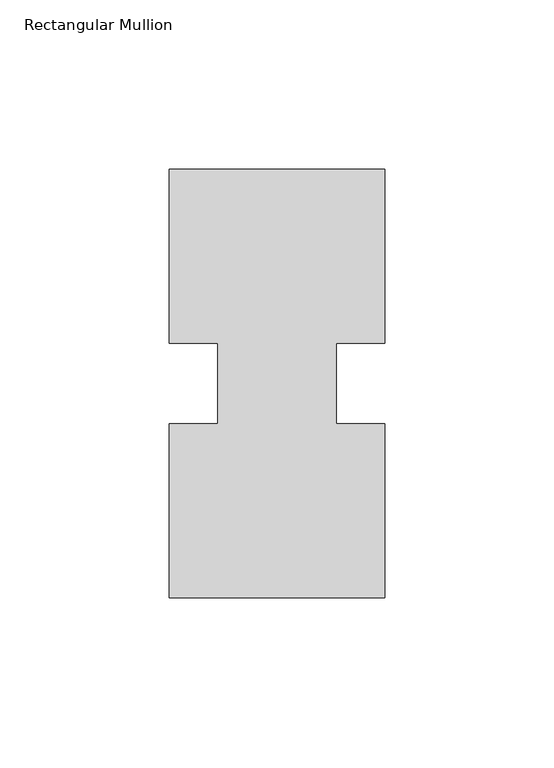
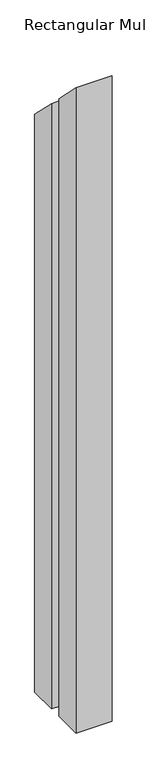
"""IFC4 building model written with IfcOpenShell, lengths in millimetres: member geometry, Rectangular Mullion."""

import ifcopenshell
import ifcopenshell.guid

model = None  # the IFC model being written
_history = None  # IfcOwnerHistory: only IFC2X3 demands one
_inside = {}  # id of a spatial element -> (the spatial element, [elements in it])
_under = {}  # id of a project, library or spatial element -> (it, [spatial elements below it])
_declared = {}  # id of a project -> (the project, [libraries it declares])
_typed = {}  # id of a type object -> (the type object, [elements of that type])
_made_of = {}  # id of a material, layer set ... -> (it, [elements and type objects made of it])


def new_model(schema):
    """Start an empty IFC model of exactly this schema.

    Asked for "IFC4X3", IfcOpenShell would pick the latest addendum, in which some entities
    have other attributes; the version numbers below select the first issue.
    IFC2X3 requires an IfcOwnerHistory on every rooted entity: one is made here for all.
    """
    global model, _history
    if schema == "IFC4X3":
        model = ifcopenshell.file(schema_version=(4, 3, 0, 0))
    else:
        model = ifcopenshell.file(schema=schema)
    _inside.clear()
    _under.clear()
    _declared.clear()
    _typed.clear()
    _made_of.clear()
    _history = None
    if model.schema == "IFC2X3":
        org = make("IfcOrganization", Name="unknown")
        user = make(
            "IfcPersonAndOrganization",
            ThePerson=make("IfcPerson", FamilyName="unknown"),
            TheOrganization=org,
        )
        app = make(
            "IfcApplication",
            ApplicationDeveloper=org,
            Version="unknown",
            ApplicationFullName="unknown",
            ApplicationIdentifier="unknown",
        )
        _history = make(
            "IfcOwnerHistory",
            OwningUser=user,
            OwningApplication=app,
            ChangeAction="ADDED",
            CreationDate=0,
        )
    return model


def make(cls, **values):
    """One entity of the class cls with the attributes given. An attribute that is None is left unset."""
    return model.create_entity(
        cls, **{name: value for name, value in values.items() if value is not None}
    )


def rooted(cls, **values):
    """An entity with a GlobalId (a new one), such as an element, a storey or a relation."""
    return make(cls, GlobalId=ifcopenshell.guid.new(), OwnerHistory=_history, **values)


def si_unit(unit_type, name, prefix=None):
    """IfcSIUnit, for example si_unit("LENGTHUNIT", "METRE", prefix="MILLI")."""
    return make("IfcSIUnit", UnitType=unit_type, Prefix=prefix, Name=name)


def assignment(units):
    """IfcUnitAssignment: the units of a project."""
    return None if units is None else make("IfcUnitAssignment", Units=units)


def point(xyz):
    """IfcCartesianPoint."""
    return None if xyz is None else make("IfcCartesianPoint", Coordinates=xyz)


def direction(xyz):
    """IfcDirection."""
    return None if xyz is None else make("IfcDirection", DirectionRatios=xyz)


def frame(location, z_axis=None, x_axis=None):
    """IfcAxis2Placement3D, a coordinate frame: its origin and axes. An axis left out is left unset."""
    return make(
        "IfcAxis2Placement3D",
        Location=point(location),
        Axis=direction(z_axis),
        RefDirection=direction(x_axis),
    )


def origin():
    """The frame at (0, 0, 0) with its axes left unset."""
    return frame((0.0, 0.0, 0.0))


def place(relative_to, where):
    """IfcLocalPlacement: puts the frame where relative to a parent placement (None: the world)."""
    return make(
        "IfcLocalPlacement", PlacementRelTo=relative_to, RelativePlacement=where
    )


def context(
    kind, dimensions, precision=None, world=None, true_north=None, identifier=None
):
    """IfcGeometricRepresentationContext, for example the 3D "Model" context."""
    return make(
        "IfcGeometricRepresentationContext",
        ContextIdentifier=identifier,
        ContextType=kind,
        CoordinateSpaceDimension=dimensions,
        Precision=precision,
        WorldCoordinateSystem=world,
        TrueNorth=true_north,
    )


def project(units=None, contexts=None):
    """IfcProject with its units and contexts."""
    return rooted(
        "IfcProject",
        Name="project",
        RepresentationContexts=contexts,
        UnitsInContext=assignment(units),
    )


def spatial(cls, under=None, at=None, **own):
    """A site, building, storey or space (cls), placed at a placement, below another one or the project."""
    s = rooted(cls, ObjectPlacement=at, **own)
    if under is not None:
        _under.setdefault(under.id(), (under, []))[1].append(s)
    return s


def faces_of(points, faces, orient=None, outer=None):
    """IfcFace entities. A face is a list of loops; a loop is a list of indices into points, from 0.

    orient and outer hold one flag for each loop. By default every Orientation is true, the
    first loop of a face is its IfcFaceOuterBound and the others are IfcFaceBound.
    """
    made = []
    for i, loops in enumerate(faces):
        bounds = []
        for j, loop in enumerate(loops):
            is_outer = j == 0 if outer is None else outer[i][j]
            bounds.append(
                make(
                    "IfcFaceOuterBound" if is_outer else "IfcFaceBound",
                    Bound=make("IfcPolyLoop", Polygon=[points[k] for k in loop]),
                    Orientation=True if orient is None else orient[i][j],
                )
            )
        made.append(make("IfcFace", Bounds=bounds))
    return made


def faceted_brep(points, faces, orient=None, outer=None, voids=None):
    """IfcFacetedBrep: a solid bounded by flat faces; with voids (closed shells), ...WithVoids."""
    shared = [point(p) for p in points]
    hull = make("IfcClosedShell", CfsFaces=faces_of(shared, faces, orient, outer))
    if voids is None:
        return make("IfcFacetedBrep", Outer=hull)
    return make(
        "IfcFacetedBrepWithVoids",
        Outer=hull,
        Voids=[
            make(cls, CfsFaces=faces_of(shared, fs, o, b)) for cls, fs, o, b in voids
        ],
    )


def shape(context_of_items, identifier, shape_type, items):
    """IfcShapeRepresentation: the items that make up one representation, for example the "Body"."""
    return make(
        "IfcShapeRepresentation",
        ContextOfItems=context_of_items,
        RepresentationIdentifier=identifier,
        RepresentationType=shape_type,
        Items=items,
    )


def source(mapping_origin, context_of_items, identifier, shape_type, items):
    """IfcRepresentationMap: a shape defined once, which mapped items show again and again."""
    return make(
        "IfcRepresentationMap",
        MappingOrigin=mapping_origin,
        MappedRepresentation=shape(context_of_items, identifier, shape_type, items),
    )


def transform(
    local_origin,
    x_axis=None,
    y_axis=None,
    z_axis=None,
    scale=None,
    scale2=None,
    scale3=None,
    uniform=True,
):
    """IfcCartesianTransformationOperator3D, or its non-uniform kind. x_axis, y_axis, z_axis: its Axis1, 2, 3."""
    if uniform:
        return make(
            "IfcCartesianTransformationOperator3D",
            Axis1=direction(x_axis),
            Axis2=direction(y_axis),
            LocalOrigin=point(local_origin),
            Scale=scale,
            Axis3=direction(z_axis),
        )
    return make(
        "IfcCartesianTransformationOperator3DnonUniform",
        Axis1=direction(x_axis),
        Axis2=direction(y_axis),
        LocalOrigin=point(local_origin),
        Scale=scale,
        Axis3=direction(z_axis),
        Scale2=scale2,
        Scale3=scale3,
    )


def mapped(mapping_source, mapping_target):
    """IfcMappedItem: shows the shape of a source again, moved by a transform."""
    return make(
        "IfcMappedItem", MappingSource=mapping_source, MappingTarget=mapping_target
    )


def made_of(thing, what):
    """Note that an element or type object is made of a material, layer set ...; save() writes the relation."""
    if what is not None:
        _made_of.setdefault(what.id(), (what, []))[1].append(thing)
    return thing


def element(
    cls,
    number,
    at=None,
    inside=None,
    cuts=None,
    type_object=None,
    material=None,
    context=None,
    identifier="Body",
    shape_type=None,
    held_by="IfcProductDefinitionShape",
    body=None,
    shapes=None,
    **own,
):
    """One element of the class cls, such as IfcWall. Its Tag is "e" and its number.

    at: its placement. inside: the storey or other place that contains it. cuts: it is an
    opening in that element (IfcRelVoidsElement). A single representation is given by context,
    identifier, shape_type and body (its items); several are given by shapes. held_by: the class
    of the entity that holds the representations. save() writes the other relations.
    """
    e = rooted(cls, Tag="e%d" % number, ObjectPlacement=at, **own)
    if body is not None:
        shapes = [shape(context, identifier, shape_type, body)]
    if shapes is not None:
        e.Representation = make(held_by, Representations=shapes)
    if inside is not None:
        _inside.setdefault(inside.id(), (inside, []))[1].append(e)
    if cuts is not None:
        rooted(
            "IfcRelVoidsElement", RelatingBuildingElement=cuts, RelatedOpeningElement=e
        )
    if type_object is not None:
        _typed.setdefault(type_object.id(), (type_object, []))[1].append(e)
    return made_of(e, material)


def aggregate(whole, parts):
    """IfcRelAggregates: a whole, such as a stair, and the parts it consists of."""
    return rooted("IfcRelAggregates", RelatingObject=whole, RelatedObjects=parts)


def save(model, path):
    """Write the relations noted so far, then the file.

    IfcRelAggregates (storeys below a building ...), IfcRelContainedInSpatialStructure (elements
    in a storey), IfcRelDefinesByType, IfcRelAssociatesMaterial and IfcRelDeclares: one each for
    every whole, place, type object, material and project.
    """
    for whole, parts in _under.values():
        aggregate(whole, parts)
    for where, things in _inside.values():
        rooted(
            "IfcRelContainedInSpatialStructure",
            RelatedElements=things,
            RelatingStructure=where,
        )
    for kind, things in _typed.values():
        rooted("IfcRelDefinesByType", RelatedObjects=things, RelatingType=kind)
    for what, things in _made_of.values():
        rooted("IfcRelAssociatesMaterial", RelatedObjects=things, RelatingMaterial=what)
    for by, libraries in _declared.values():
        rooted("IfcRelDeclares", RelatingContext=by, RelatedDefinitions=libraries)
    model.write(path)


def rectangular_mullion_08bfdbdc(model_context):
    return source(origin(), model_context, "Body", "Brep", [
        faceted_brep([(0.0, 0.26035, -1206.50635), (-63.5, 0.26035, -1206.50635), (-63.5, 51.60645, -1206.50635), (-49.2125, 51.60645, -1206.50635), (-49.2125, 75.40625, -1206.50635), (-63.5, 75.40625, -1206.50635), (-63.5, 126.75235, -1206.50635), (0.0, 126.75235, -1206.50635), (0.0, 75.40625, -1206.50635), (-14.2748, 75.40625, -1206.50635), (-14.2748, 51.60645, -1206.50635), (0.0, 51.60645, -1206.50635), (0.0, 51.60645, -51.60645), (0.0, 0.26035, -0.26035), (-14.2748, 51.60645, -51.60645), (-14.2748, 75.40625, -75.40625), (0.0, 75.40625, -75.40625), (0.0, 126.75235, -126.75235), (-63.5, 126.75235, -126.75235), (-63.5, 75.40625, -75.40625), (-49.2125, 75.40625, -75.40625), (-49.2125, 51.60645, -51.60645), (-63.5, 51.60645, -51.60645), (-63.5, 0.26035, -0.26035)], [[[0, 1, 2, 3, 4, 5, 6, 7, 8, 9, 10, 11]], [[12, 13, 0, 11]], [[14, 12, 11, 10]], [[15, 14, 10, 9]], [[16, 15, 9, 8]], [[17, 16, 8, 7]], [[18, 17, 7, 6]], [[19, 18, 6, 5]], [[20, 19, 5, 4]], [[21, 20, 4, 3]], [[22, 21, 3, 2]], [[23, 22, 2, 1]], [[13, 23, 1, 0]], [[13, 12, 14, 15, 16, 17, 18, 19, 20, 21, 22, 23]]]),
    ])


if __name__ == "__main__":
    model = new_model("IFC4")
    model_context = context("Model", 3, world=origin())
    ifc_project = project(units=[si_unit("LENGTHUNIT", "METRE", prefix="MILLI")], contexts=[model_context])
    site = spatial("IfcSite", under=ifc_project)
    building = spatial("IfcBuilding", under=site)
    placement = place(None, origin())
    rectangular_mullion_shape = rectangular_mullion_08bfdbdc(model_context)
    element("IfcMember", 1, ObjectType="Rectangular Mullion", at=placement, inside=building, context=model_context, shape_type="MappedRepresentation", body=[
        mapped(rectangular_mullion_shape, transform((0.0, 0.0, 0.0), x_axis=(1.0, 0.0, 0.0), y_axis=(0.0, 1.0, 0.0), z_axis=(0.0, 0.0, 1.0))),
    ])
    save(model, "model.ifc")
